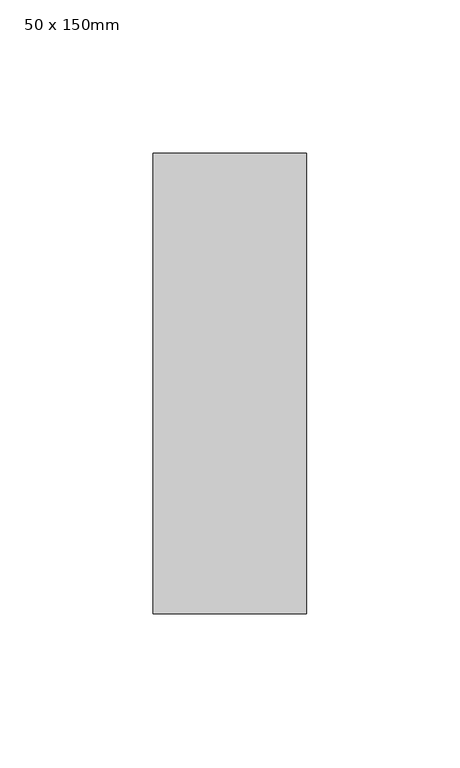
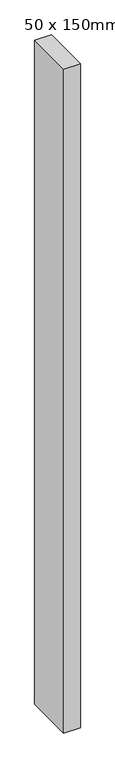
"""IFC4 building model written with IfcOpenShell, lengths in millimetres: member geometry, 50 x 150mm."""

from ifc_helpers import new_model, si_unit, frame, origin, place, context, project, spatial, polyline, outline, extrude, source, transform, mapped, element, save


def member_50_x_150mm_d81b54b1(model_context):
    return source(origin(), model_context, "Body", "SweptSolid", [
        extrude(outline(polyline([(25.0, 75.0), (25.0, -75.0), (-25.0, -75.0), (-25.0, 75.0), (25.0, 75.0)])), frame((0.0, 0.0, -2100.0), z_axis=(0.0, 0.0, 1.0), x_axis=(1.0, 0.0, 0.0)), (0.0, 0.0, 1.0), 2100.0),
    ])


if __name__ == "__main__":
    model = new_model("IFC4")
    model_context = context("Model", 3, world=origin())
    ifc_project = project(units=[si_unit("LENGTHUNIT", "METRE", prefix="MILLI")], contexts=[model_context])
    site = spatial("IfcSite", under=ifc_project)
    building = spatial("IfcBuilding", under=site)
    placement = place(None, origin())
    member_50_x_150mm_shape = member_50_x_150mm_d81b54b1(model_context)
    element("IfcMember", 1, ObjectType="50 x 150mm", at=placement, inside=building, context=model_context, shape_type="MappedRepresentation", body=[
        mapped(member_50_x_150mm_shape, transform((0.0, 0.0, 0.0), x_axis=(1.0, 0.0, 0.0), y_axis=(0.0, 1.0, 0.0), z_axis=(0.0, 0.0, 1.0))),
    ])
    save(model, "model.ifc")
